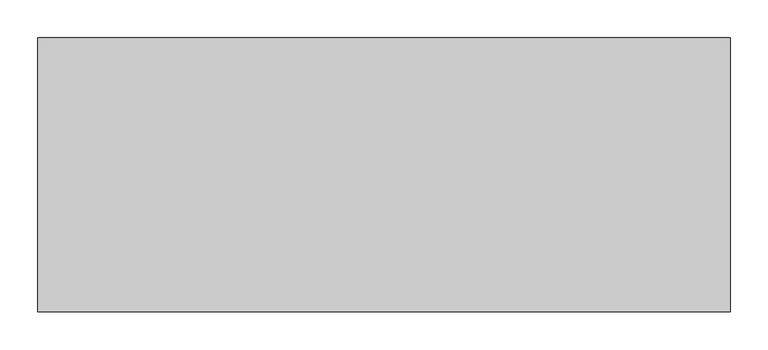
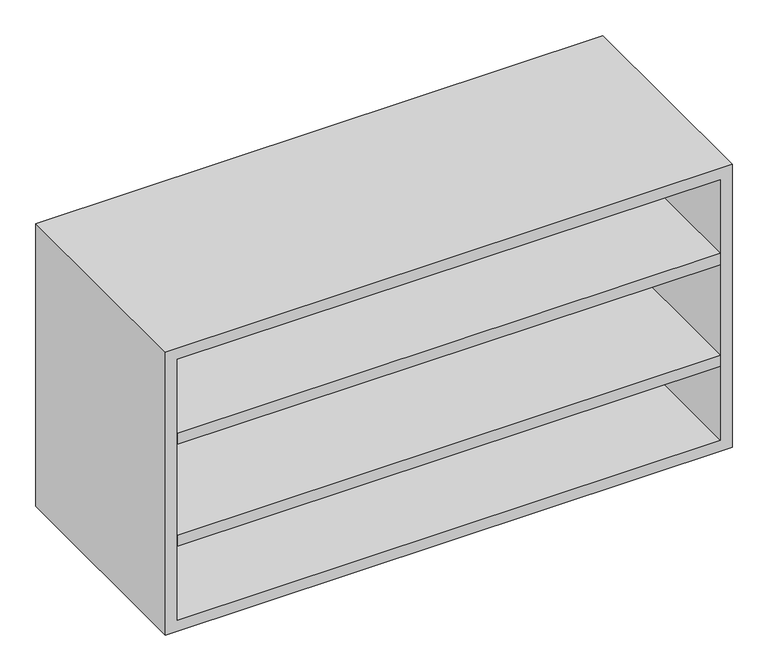
"""IFC4 building model written with IfcOpenShell, lengths in millimetres: furniture geometry."""

from ifc_helpers import new_model, si_unit, frame, origin, place, context, project, spatial, polyline, outline, extrude, source, transform, mapped, element, save


def furniture_2704b877(model_context):
    return source(origin(), model_context, "Body", "SweptSolid", [
        extrude(outline(polyline([(438.1569453, 161.925), (438.1569453, -180.975), (-438.1291641, -180.975), (-438.1291641, 161.925), (438.1569453, 161.925)])), frame((0.0, 0.0, 1055.1583333), z_axis=(0.0, 0.0, 1.0), x_axis=(1.0, 0.0, 0.0)), (0.0, 0.0, 1.0), 19.05),
        extrude(outline(polyline([(438.1569453, 161.925), (438.1569453, -180.975), (-438.1291641, -180.975), (-438.1291641, 161.925), (438.1569453, 161.925)])), frame((0.0, 0.0, 881.5916667), z_axis=(0.0, 0.0, 1.0), x_axis=(1.0, 0.0, 0.0)), (0.0, 0.0, 1.0), 19.05),
        extrude(outline(polyline([(736.6, -457.1861094), (736.6, 457.2138906), (1219.2, 457.2138906), (1219.2, -457.1861094), (736.6, -457.1861094)]), holes=[polyline([(755.65, -438.1361094), (1200.15, -438.1361094), (1200.15, 438.1569453), (755.65, 438.1569453), (755.65, -438.1361094)])]), frame((0.0, -180.975, 0.0), z_axis=(0.0, 1.0, 0.0), x_axis=(0.0, 0.0, 1.0)), (0.0, 0.0, 1.0), 361.95),
        extrude(outline(polyline([(-438.1291641, 161.925), (-438.1291641, 180.975), (438.1569453, 180.975), (438.1569453, 161.925), (-438.1291641, 161.925)])), frame((0.0, 0.0, 755.65), z_axis=(0.0, 0.0, 1.0), x_axis=(1.0, 0.0, 0.0)), (0.0, 0.0, 1.0), 444.5),
    ])


if __name__ == "__main__":
    model = new_model("IFC4")
    model_context = context("Model", 3, world=origin())
    ifc_project = project(units=[si_unit("LENGTHUNIT", "METRE", prefix="MILLI")], contexts=[model_context])
    site = spatial("IfcSite", under=ifc_project)
    building = spatial("IfcBuilding", under=site)
    placement = place(None, origin())
    furniture_shape = furniture_2704b877(model_context)
    element("IfcFurniture", 1, at=placement, inside=building, context=model_context, shape_type="MappedRepresentation", body=[
        mapped(furniture_shape, transform((0.0, 0.0, 0.0), x_axis=(1.0, 0.0, 0.0), y_axis=(0.0, 1.0, 0.0), z_axis=(0.0, 0.0, 1.0))),
    ])
    save(model, "model.ifc")
